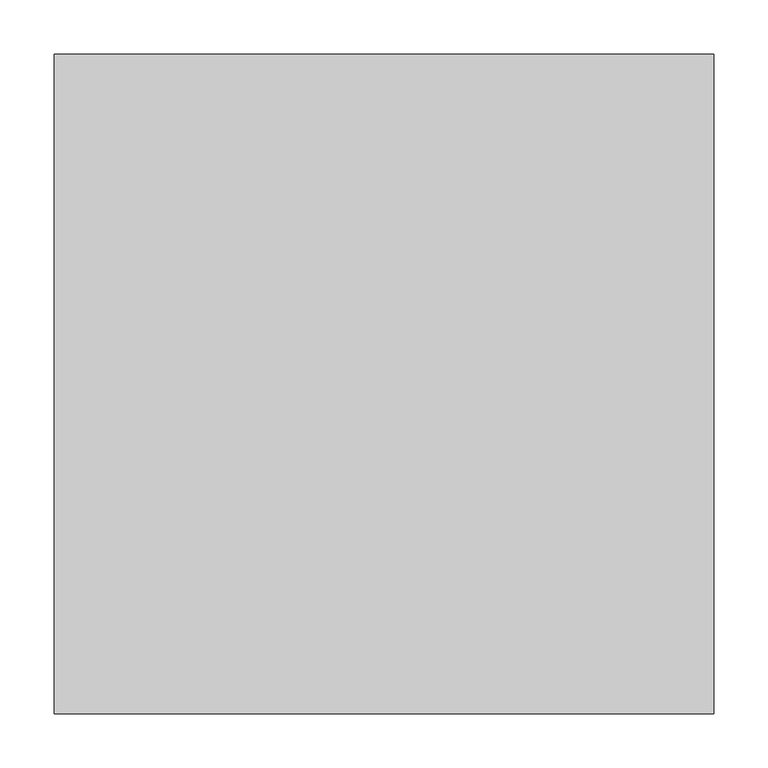
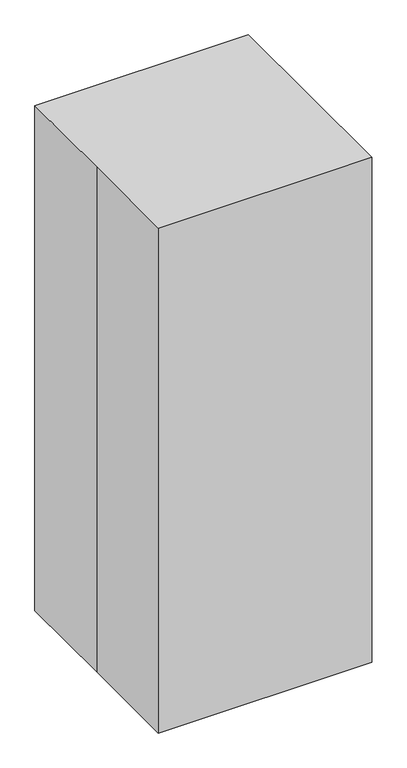
"""IFC4 building model written with IfcOpenShell, lengths in millimetres: proxy geometry."""

from ifc_helpers import new_model, si_unit, point, frame, frame_2d, origin, origin_with_axes, origin_2d, place, context, project, spatial, polyline, circle_curve, ellipse_curve, trimmed, segment, composite_curve, outline, extrude, source, transform, mapped, element, save
from ifc_brep_helpers import plane_surface, cylinder_surface, advanced_brep


def specialty_equipment_00fe3c99(model_context):
    return source(origin(), model_context, "Body", "SolidModel", [
        advanced_brep(
        [(-98.425, -113.0619845, 1003.3), (-79.375, -113.0619845, 1003.3), (-98.425, -173.3869845, 1003.3), (-79.375, -154.3369845, 1003.3), (98.425, -173.3869845, 1003.3), (79.375, -154.3369845, 1003.3), (98.425, -113.0619845, 1003.3), (79.375, -113.0619845, 1003.3)],
        [
            (0, 1, circle_curve(frame((-88.9, -113.0619845, 1003.3), z_axis=(0.0, 1.0, 0.0), x_axis=(1.0, 0.0, 0.0)), 9.525)),
            (1, 0, circle_curve(frame((-88.9, -113.0619845, 1003.3), z_axis=(0.0, 1.0, 0.0), x_axis=(1.0, 0.0, 0.0)), 9.525)),
            (0, 2),
            (2, 3, ellipse_curve(frame((-88.9, -163.8619845, 1003.3), z_axis=(-0.7071067811865462, 0.7071067811865487, 0.0), x_axis=(0.7071067811865486, 0.7071067811865464, 0.0)), 13.4703842, 9.525)),
            (3, 1),
            (3, 2, ellipse_curve(frame((-88.9, -163.8619845, 1003.3), z_axis=(-0.7071067811865462, 0.7071067811865487, 0.0), x_axis=(0.7071067811865486, 0.7071067811865464, 0.0)), 13.4703842, 9.525)),
            (2, 4),
            (4, 5, ellipse_curve(frame((88.9, -163.8619845, 1003.3), z_axis=(-0.7071067811865487, -0.7071067811865462, 0.0), x_axis=(-0.7071067811865464, 0.7071067811865487, 0.0)), 13.4703842, 9.525)),
            (5, 3),
            (5, 4, ellipse_curve(frame((88.9, -163.8619845, 1003.3), z_axis=(-0.7071067811865487, -0.7071067811865462, 0.0), x_axis=(-0.7071067811865464, 0.7071067811865487, 0.0)), 13.4703842, 9.525)),
            (6, 7, circle_curve(frame((88.9, -113.0619845, 1003.3), z_axis=(0.0, 1.0, 0.0), x_axis=(-1.0, 0.0, 0.0)), 9.525)),
            (7, 6, circle_curve(frame((88.9, -113.0619845, 1003.3), z_axis=(0.0, 1.0, 0.0), x_axis=(-1.0, 0.0, 0.0)), 9.525)),
            (4, 6),
            (7, 5),
        ],
        [
            plane_surface(frame((-88.9, -113.0619845, 1003.3), z_axis=(0.0, 1.0, 0.0), x_axis=(0.0, 0.0, 1.0))),
            cylinder_surface(frame((-88.9, -113.0619845, 1003.3), z_axis=(0.0, 1.0, 0.0), x_axis=(1.0, 0.0, 0.0)), 9.525),
            cylinder_surface(frame((-88.9, -163.8619845, 1003.3), z_axis=(-1.0, 0.0, 0.0), x_axis=(0.0, 1.0, 0.0)), 9.525),
            plane_surface(frame((88.9, -113.0619845, 1003.3), z_axis=(0.0, 1.0, 0.0), x_axis=(0.0, 0.0, 1.0))),
            cylinder_surface(frame((88.9, -163.8619845, 1003.3), z_axis=(0.0, -1.0, 0.0), x_axis=(-1.0, 0.0, 0.0)), 9.525),
        ],
        [
            (0, [[1, 2]]),
            (1, [[-1, 3, 4, 5]]),
            (1, [[-2, -5, 6, -3]]),
            (2, [[-4, 7, 8, 9]]),
            (2, [[-6, -9, 10, -7]]),
            (3, [[11, 12]]),
            (4, [[-8, 13, -12, 14]]),
            (4, [[-10, -14, -11, -13]]),
        ],
    ),
        extrude(outline(polyline([(101.6, 965.2), (-113.0619845, 965.2), (-113.0619845, 1036.8125795), (-57.3005542, 1219.2), (101.6, 1219.2), (101.6, 965.2)])), frame((-127.0, 0.0, 0.0), z_axis=(1.0, 0.0, 0.0), x_axis=(0.0, 1.0, 0.0)), (0.0, 0.0, 1.0), 254.0),
        extrude(outline(composite_curve([segment(trimmed(circle_curve(frame_2d((25.4, -203.0677083)), 25.4), [point((25.4, -228.4677083))], [point((25.4, -177.6677083))], False, "CARTESIAN"), True, "CONTINUOUS"), segment(trimmed(circle_curve(frame_2d((25.4, -203.0677083)), 25.4), [point((25.4, -177.6677083))], [point((25.4, -228.4677083))], False, "CARTESIAN"), True, "CONTINUOUS")], self_intersect=False)), frame((0.0, 9.525, 0.0), z_axis=(0.0, 1.0, 0.0), x_axis=(0.0, 0.0, 1.0)), (0.0, 0.0, 1.0), 9.525),
        extrude(outline(composite_curve([segment(trimmed(circle_curve(frame_2d((25.4, -203.0677083)), 25.4), [point((25.4, -177.6677083))], [point((25.4, -228.4677083))], False, "CARTESIAN"), True, "CONTINUOUS"), segment(trimmed(circle_curve(frame_2d((25.4, -203.0677083)), 25.4), [point((25.4, -228.4677083))], [point((25.4, -177.6677083))], False, "CARTESIAN"), True, "CONTINUOUS")], self_intersect=False)), frame((0.0, -19.05, 0.0), z_axis=(0.0, 1.0, 0.0), x_axis=(0.0, 0.0, 1.0)), (0.0, 0.0, 1.0), 9.525),
        extrude(outline(composite_curve([segment(trimmed(circle_curve(frame_2d((203.0677083, 25.4)), 25.4), [point((228.4677083, 25.4))], [point((177.6677083, 25.4))], False, "CARTESIAN"), True, "CONTINUOUS"), segment(trimmed(circle_curve(frame_2d((203.0677083, 25.4)), 25.4), [point((177.6677083, 25.4))], [point((228.4677083, 25.4))], False, "CARTESIAN"), True, "CONTINUOUS")], self_intersect=False)), frame((9.525, 0.0, 0.0), z_axis=(1.0, 0.0, 0.0), x_axis=(0.0, 1.0, 0.0)), (0.0, 0.0, 1.0), 9.525),
        extrude(outline(composite_curve([segment(trimmed(circle_curve(frame_2d((203.0677083, 25.4)), 25.4), [point((177.6677083, 25.4))], [point((228.4677083, 25.4))], False, "CARTESIAN"), True, "CONTINUOUS"), segment(trimmed(circle_curve(frame_2d((203.0677083, 25.4)), 25.4), [point((228.4677083, 25.4))], [point((177.6677083, 25.4))], False, "CARTESIAN"), True, "CONTINUOUS")], self_intersect=False)), frame((-19.05, 0.0, 0.0), z_axis=(1.0, 0.0, 0.0), x_axis=(0.0, 1.0, 0.0)), (0.0, 0.0, 1.0), 9.525),
        extrude(outline(composite_curve([segment(trimmed(circle_curve(frame_2d((25.4, 203.2661458)), 25.4), [point((25.4, 177.8661458))], [point((25.4, 228.6661458))], False, "CARTESIAN"), True, "CONTINUOUS"), segment(trimmed(circle_curve(frame_2d((25.4, 203.2661458)), 25.4), [point((25.4, 228.6661458))], [point((25.4, 177.8661458))], False, "CARTESIAN"), True, "CONTINUOUS")], self_intersect=False)), frame((0.0, -19.05, 0.0), z_axis=(0.0, 1.0, 0.0), x_axis=(0.0, 0.0, 1.0)), (0.0, 0.0, 1.0), 9.525),
        extrude(outline(composite_curve([segment(trimmed(circle_curve(frame_2d((25.4, 203.2661458)), 25.4), [point((25.4, 177.8661458))], [point((25.4, 228.6661458))], False, "CARTESIAN"), True, "CONTINUOUS"), segment(trimmed(circle_curve(frame_2d((25.4, 203.2661458)), 25.4), [point((25.4, 228.6661458))], [point((25.4, 177.8661458))], False, "CARTESIAN"), True, "CONTINUOUS")], self_intersect=False)), frame((0.0, 9.525, 0.0), z_axis=(0.0, 1.0, 0.0), x_axis=(0.0, 0.0, 1.0)), (0.0, 0.0, 1.0), 9.525),
        extrude(outline(composite_curve([segment(trimmed(circle_curve(frame_2d((0.0, 211.534375)), 8.4666667), [point((-8.4666667, 211.534375))], [point((8.4666667, 211.534375))], False, "CARTESIAN"), True, "CONTINUOUS"), segment(trimmed(circle_curve(frame_2d((0.0, 211.534375)), 8.4666667), [point((8.4666667, 211.534375))], [point((-8.4666667, 211.534375))], False, "CARTESIAN"), True, "CONTINUOUS")], self_intersect=False)), frame((0.0, 0.0, 25.4), z_axis=(0.0, 0.0, 1.0), x_axis=(1.0, 0.0, 0.0)), (0.0, 0.0, 1.0), 25.4),
        extrude(outline(composite_curve([segment(trimmed(circle_curve(frame_2d((203.0677083, 25.4)), 16.9333333), [point((186.134375, 25.4))], [point((220.0010417, 25.4))], False, "CARTESIAN"), True, "CONTINUOUS"), segment(trimmed(circle_curve(frame_2d((203.0677083, 25.4)), 16.9333333), [point((220.0010417, 25.4))], [point((186.134375, 25.4))], False, "CARTESIAN"), True, "CONTINUOUS")], self_intersect=False)), frame((-9.525, 0.0, 0.0), z_axis=(1.0, 0.0, 0.0), x_axis=(0.0, 1.0, 0.0)), (0.0, 0.0, 1.0), 19.05),
        extrude(outline(composite_curve([segment(trimmed(circle_curve(frame_2d((211.7328125, 0.0)), 8.4666667), [point((211.7328125, 8.4666667))], [point((211.7328125, -8.4666667))], False, "CARTESIAN"), True, "CONTINUOUS"), segment(trimmed(circle_curve(frame_2d((211.7328125, 0.0)), 8.4666667), [point((211.7328125, -8.4666667))], [point((211.7328125, 8.4666667))], False, "CARTESIAN"), True, "CONTINUOUS")], self_intersect=False)), frame((0.0, 0.0, 25.4), z_axis=(0.0, 0.0, 1.0), x_axis=(1.0, 0.0, 0.0)), (0.0, 0.0, 1.0), 25.4),
        extrude(outline(composite_curve([segment(trimmed(circle_curve(frame_2d((25.4, 203.2661458)), 16.9333333), [point((25.4, 186.3328125))], [point((25.4, 220.1994792))], False, "CARTESIAN"), True, "CONTINUOUS"), segment(trimmed(circle_curve(frame_2d((25.4, 203.2661458)), 16.9333333), [point((25.4, 220.1994792))], [point((25.4, 186.3328125))], False, "CARTESIAN"), True, "CONTINUOUS")], self_intersect=False)), frame((0.0, -9.525, 0.0), z_axis=(0.0, 1.0, 0.0), x_axis=(0.0, 0.0, 1.0)), (0.0, 0.0, 1.0), 19.05),
        extrude(outline(composite_curve([segment(trimmed(circle_curve(frame_2d((-211.534375, 0.0)), 8.4666667), [point((-211.534375, -8.4666667))], [point((-211.534375, 8.4666667))], False, "CARTESIAN"), True, "CONTINUOUS"), segment(trimmed(circle_curve(frame_2d((-211.534375, 0.0)), 8.4666667), [point((-211.534375, 8.4666667))], [point((-211.534375, -8.4666667))], False, "CARTESIAN"), True, "CONTINUOUS")], self_intersect=False)), frame((0.0, 0.0, 25.4), z_axis=(0.0, 0.0, 1.0), x_axis=(1.0, 0.0, 0.0)), (0.0, 0.0, 1.0), 25.4),
        extrude(outline(composite_curve([segment(trimmed(circle_curve(frame_2d((25.4, -203.0677083)), 16.9333333), [point((25.4, -186.134375))], [point((25.4, -220.0010417))], False, "CARTESIAN"), True, "CONTINUOUS"), segment(trimmed(circle_curve(frame_2d((25.4, -203.0677083)), 16.9333333), [point((25.4, -220.0010417))], [point((25.4, -186.134375))], False, "CARTESIAN"), True, "CONTINUOUS")], self_intersect=False)), frame((0.0, -9.525, 0.0), z_axis=(0.0, 1.0, 0.0), x_axis=(0.0, 0.0, 1.0)), (0.0, 0.0, 1.0), 19.05),
        extrude(outline(composite_curve([segment(trimmed(circle_curve(frame_2d((-203.2165365, 25.4)), 25.4), [point((-177.8165365, 25.4))], [point((-228.6165365, 25.4))], False, "CARTESIAN"), True, "CONTINUOUS"), segment(trimmed(circle_curve(frame_2d((-203.2165365, 25.4)), 25.4), [point((-228.6165365, 25.4))], [point((-177.8165365, 25.4))], False, "CARTESIAN"), True, "CONTINUOUS")], self_intersect=False)), frame((-19.05, 0.0, 0.0), z_axis=(1.0, 0.0, 0.0), x_axis=(0.0, 1.0, 0.0)), (0.0, 0.0, 1.0), 9.525),
        extrude(outline(composite_curve([segment(trimmed(circle_curve(frame_2d((-203.2165365, 25.4)), 25.4), [point((-177.8165365, 25.4))], [point((-228.6165365, 25.4))], False, "CARTESIAN"), True, "CONTINUOUS"), segment(trimmed(circle_curve(frame_2d((-203.2165365, 25.4)), 25.4), [point((-228.6165365, 25.4))], [point((-177.8165365, 25.4))], False, "CARTESIAN"), True, "CONTINUOUS")], self_intersect=False)), frame((9.525, 0.0, 0.0), z_axis=(1.0, 0.0, 0.0), x_axis=(0.0, 1.0, 0.0)), (0.0, 0.0, 1.0), 9.525),
        extrude(outline(composite_curve([segment(trimmed(circle_curve(frame_2d((0.0, -211.6832031)), 8.4666667), [point((8.4666667, -211.6832031))], [point((-8.4666667, -211.6832031))], False, "CARTESIAN"), True, "CONTINUOUS"), segment(trimmed(circle_curve(frame_2d((0.0, -211.6832031)), 8.4666667), [point((-8.4666667, -211.6832031))], [point((8.4666667, -211.6832031))], False, "CARTESIAN"), True, "CONTINUOUS")], self_intersect=False)), frame((0.0, 0.0, 25.4), z_axis=(0.0, 0.0, 1.0), x_axis=(1.0, 0.0, 0.0)), (0.0, 0.0, 1.0), 25.4),
        extrude(outline(composite_curve([segment(trimmed(circle_curve(frame_2d((-203.2165365, 25.4)), 16.9333333), [point((-186.2832031, 25.4))], [point((-220.1498698, 25.4))], False, "CARTESIAN"), True, "CONTINUOUS"), segment(trimmed(circle_curve(frame_2d((-203.2165365, 25.4)), 16.9333333), [point((-220.1498698, 25.4))], [point((-186.2832031, 25.4))], False, "CARTESIAN"), True, "CONTINUOUS")], self_intersect=False)), frame((-9.525, 0.0, 0.0), z_axis=(1.0, 0.0, 0.0), x_axis=(0.0, 1.0, 0.0)), (0.0, 0.0, 1.0), 19.05),
        extrude(outline(polyline([(-228.6, 63.5), (-192.6166667, 63.5), (-44.45, 25.4), (44.45, 25.4), (192.6166667, 63.5), (228.6, 63.5), (228.6, 50.8), (193.8216772, 50.8), (45.6550105, 12.7), (-45.6550105, 12.7), (-193.8216772, 50.8), (-228.6, 50.8), (-228.6, 63.5)])), frame((-19.05, 0.0, 0.0), z_axis=(1.0, 0.0, 0.0), x_axis=(0.0, 1.0, 0.0)), (0.0, 0.0, 1.0), 38.1),
        extrude(outline(composite_curve([segment(trimmed(circle_curve(origin_2d(), 12.7), [point((-12.7, 0.0))], [point((12.7, 0.0))], False, "CARTESIAN"), True, "CONTINUOUS"), segment(trimmed(circle_curve(origin_2d(), 12.7), [point((12.7, 0.0))], [point((-12.7, 0.0))], False, "CARTESIAN"), True, "CONTINUOUS")], self_intersect=False)), frame((0.0, 0.0, 12.7), z_axis=(0.0, 0.0, 1.0), x_axis=(1.0, 0.0, 0.0)), (0.0, 0.0, 1.0), 952.5),
        extrude(outline(polyline([(63.5, -228.6), (50.8, -228.6), (50.8, -193.8216772), (12.7, -45.6550105), (12.7, 45.6550105), (50.8, 193.8216772), (50.8, 228.6), (63.5, 228.6), (63.5, 192.6166667), (25.4, 44.45), (25.4, -44.45), (63.5, -192.6166667), (63.5, -228.6)])), frame((0.0, -19.05, 0.0), z_axis=(0.0, 1.0, 0.0), x_axis=(0.0, 0.0, 1.0)), (0.0, 0.0, 1.0), 38.1),
        extrude(outline(polyline([(-304.8, 304.8), (304.8, 304.8), (304.8, -304.8), (-304.8, -304.8), (-304.8, 0.0), (-304.8, 304.8)])), origin_with_axes(), (0.0, 0.0, 1.0), 1524.0),
    ])


if __name__ == "__main__":
    model = new_model("IFC4")
    model_context = context("Model", 3, world=origin())
    ifc_project = project(units=[si_unit("LENGTHUNIT", "METRE", prefix="MILLI")], contexts=[model_context])
    site = spatial("IfcSite", under=ifc_project)
    building = spatial("IfcBuilding", under=site)
    placement = place(None, origin())
    specialty_equipment_shape = specialty_equipment_00fe3c99(model_context)
    element("IfcBuildingElementProxy", 1, Name="Specialty Equipment", at=placement, inside=building, context=model_context, shape_type="MappedRepresentation", body=[
        mapped(specialty_equipment_shape, transform((0.0, 0.0, 0.0), x_axis=(1.0, 0.0, 0.0), y_axis=(0.0, 1.0, 0.0), z_axis=(0.0, 0.0, 1.0))),
    ])
    save(model, "model.ifc")
